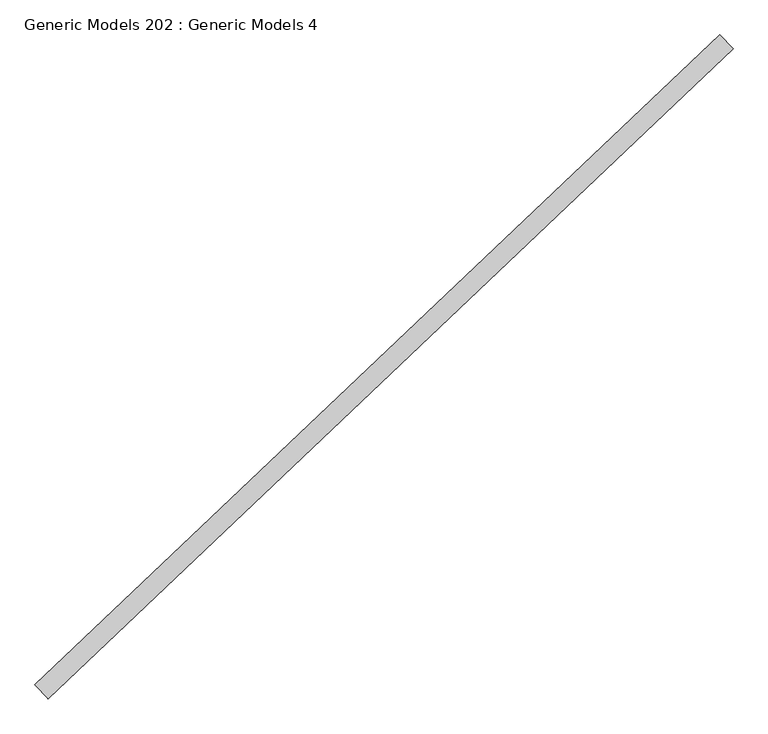
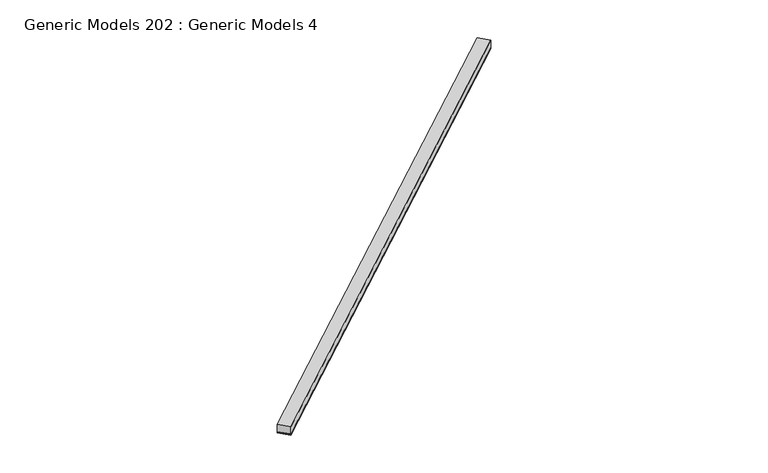
"""IFC4 building model written with IfcOpenShell, lengths in millimetres: proxy geometry, Generic Models 202 : Generic Models 4."""

from ifc_helpers import new_model, si_unit, point, frame, frame_2d, origin, place, context, project, spatial, polyline, circle_curve, trimmed, segment, composite_curve, outline, extrude, source, transform, mapped, element, save


def generic_models_202_generic_models_4_1a2fedf7(model_context):
    return source(origin(), model_context, "Body", "SweptSolid", [
        extrude(outline(composite_curve([segment(polyline([(92.075, -9.128125), (0.0, -9.128125)]), True, "CONTINUOUS"), segment(trimmed(circle_curve(frame_2d((-4.4149557, -4.5640625)), 6.35), [point((0.0, -9.128125))], [point((0.0, 0.0))], True, "CARTESIAN"), True, "CONTINUOUS"), segment(polyline([(0.0, 0.0), (92.075, 0.0)]), True, "CONTINUOUS"), segment(trimmed(circle_curve(frame_2d((96.4899556, -4.5640625)), 6.35), [point((92.075, 0.0))], [point((92.075, -9.128125))], True, "CARTESIAN"), True, "CONTINUOUS")], self_intersect=False)), frame((99763.4645275, 57298.7606646, 16701.0878084), z_axis=(0.7253743710123147, 0.6883545756937256, 0.0), x_axis=(0.6883545756937256, -0.7253743710123147, 0.0)), (0.0, 0.0, 1.0), 4530.725),
        extrude(outline(polyline([(99826.844775, 57231.9718194), (99763.4645275, 57298.7606646), (103049.9363246, 60417.5059496), (103113.3165721, 60350.7171044), (99826.844775, 57231.9718194)])), frame((0.0, 0.0, 16710.6128084), z_axis=(0.0, 0.0, 1.0), x_axis=(1.0, 0.0, 0.0)), (0.0, 0.0, 1.0), 57.15),
    ])


if __name__ == "__main__":
    model = new_model("IFC4")
    model_context = context("Model", 3, world=origin())
    ifc_project = project(units=[si_unit("LENGTHUNIT", "METRE", prefix="MILLI")], contexts=[model_context])
    site = spatial("IfcSite", under=ifc_project)
    building = spatial("IfcBuilding", under=site)
    placement = place(None, origin())
    generic_models_202_generic_models_4_shape = generic_models_202_generic_models_4_1a2fedf7(model_context)
    element("IfcBuildingElementProxy", 1, Name="Generic Models 202 : Generic Models 4", ObjectType="Generic Models 202 : Generic Models 4", at=placement, inside=building, context=model_context, shape_type="MappedRepresentation", body=[
        mapped(generic_models_202_generic_models_4_shape, transform((0.0, 0.0, 0.0), x_axis=(1.0, 0.0, 0.0), y_axis=(0.0, 1.0, 0.0), z_axis=(0.0, 0.0, 1.0))),
    ])
    save(model, "model.ifc")
